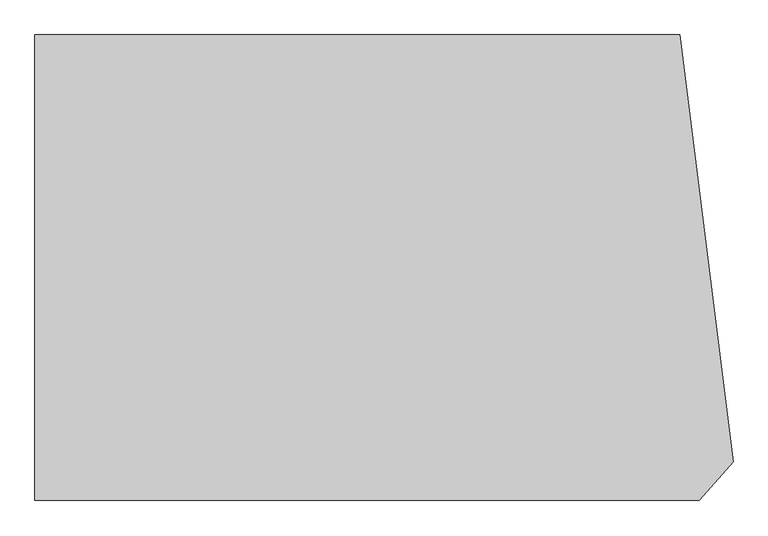
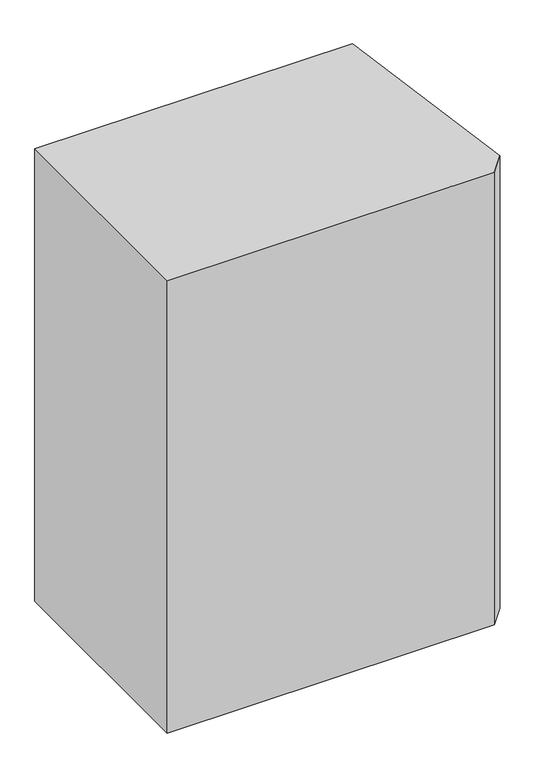
"""IFC4 building model written with IfcOpenShell, lengths in millimetres: proxy geometry."""

import ifcopenshell
import ifcopenshell.guid

model = None  # the IFC model being written
_history = None  # IfcOwnerHistory: only IFC2X3 demands one
_inside = {}  # id of a spatial element -> (the spatial element, [elements in it])
_under = {}  # id of a project, library or spatial element -> (it, [spatial elements below it])
_declared = {}  # id of a project -> (the project, [libraries it declares])
_typed = {}  # id of a type object -> (the type object, [elements of that type])
_made_of = {}  # id of a material, layer set ... -> (it, [elements and type objects made of it])


def new_model(schema):
    """Start an empty IFC model of exactly this schema.

    Asked for "IFC4X3", IfcOpenShell would pick the latest addendum, in which some entities
    have other attributes; the version numbers below select the first issue.
    IFC2X3 requires an IfcOwnerHistory on every rooted entity: one is made here for all.
    """
    global model, _history
    if schema == "IFC4X3":
        model = ifcopenshell.file(schema_version=(4, 3, 0, 0))
    else:
        model = ifcopenshell.file(schema=schema)
    _inside.clear()
    _under.clear()
    _declared.clear()
    _typed.clear()
    _made_of.clear()
    _history = None
    if model.schema == "IFC2X3":
        org = make("IfcOrganization", Name="unknown")
        user = make(
            "IfcPersonAndOrganization",
            ThePerson=make("IfcPerson", FamilyName="unknown"),
            TheOrganization=org,
        )
        app = make(
            "IfcApplication",
            ApplicationDeveloper=org,
            Version="unknown",
            ApplicationFullName="unknown",
            ApplicationIdentifier="unknown",
        )
        _history = make(
            "IfcOwnerHistory",
            OwningUser=user,
            OwningApplication=app,
            ChangeAction="ADDED",
            CreationDate=0,
        )
    return model


def make(cls, **values):
    """One entity of the class cls with the attributes given. An attribute that is None is left unset."""
    return model.create_entity(
        cls, **{name: value for name, value in values.items() if value is not None}
    )


def rooted(cls, **values):
    """An entity with a GlobalId (a new one), such as an element, a storey or a relation."""
    return make(cls, GlobalId=ifcopenshell.guid.new(), OwnerHistory=_history, **values)


def si_unit(unit_type, name, prefix=None):
    """IfcSIUnit, for example si_unit("LENGTHUNIT", "METRE", prefix="MILLI")."""
    return make("IfcSIUnit", UnitType=unit_type, Prefix=prefix, Name=name)


def assignment(units):
    """IfcUnitAssignment: the units of a project."""
    return None if units is None else make("IfcUnitAssignment", Units=units)


def point(xyz):
    """IfcCartesianPoint."""
    return None if xyz is None else make("IfcCartesianPoint", Coordinates=xyz)


def direction(xyz):
    """IfcDirection."""
    return None if xyz is None else make("IfcDirection", DirectionRatios=xyz)


def frame(location, z_axis=None, x_axis=None):
    """IfcAxis2Placement3D, a coordinate frame: its origin and axes. An axis left out is left unset."""
    return make(
        "IfcAxis2Placement3D",
        Location=point(location),
        Axis=direction(z_axis),
        RefDirection=direction(x_axis),
    )


def origin():
    """The frame at (0, 0, 0) with its axes left unset."""
    return frame((0.0, 0.0, 0.0))


def origin_with_axes():
    """The frame at (0, 0, 0) with the z axis (0, 0, 1) and the x axis (1, 0, 0) written out."""
    return frame((0.0, 0.0, 0.0), z_axis=(0.0, 0.0, 1.0), x_axis=(1.0, 0.0, 0.0))


def place(relative_to, where):
    """IfcLocalPlacement: puts the frame where relative to a parent placement (None: the world)."""
    return make(
        "IfcLocalPlacement", PlacementRelTo=relative_to, RelativePlacement=where
    )


def context(
    kind, dimensions, precision=None, world=None, true_north=None, identifier=None
):
    """IfcGeometricRepresentationContext, for example the 3D "Model" context."""
    return make(
        "IfcGeometricRepresentationContext",
        ContextIdentifier=identifier,
        ContextType=kind,
        CoordinateSpaceDimension=dimensions,
        Precision=precision,
        WorldCoordinateSystem=world,
        TrueNorth=true_north,
    )


def project(units=None, contexts=None):
    """IfcProject with its units and contexts."""
    return rooted(
        "IfcProject",
        Name="project",
        RepresentationContexts=contexts,
        UnitsInContext=assignment(units),
    )


def spatial(cls, under=None, at=None, **own):
    """A site, building, storey or space (cls), placed at a placement, below another one or the project."""
    s = rooted(cls, ObjectPlacement=at, **own)
    if under is not None:
        _under.setdefault(under.id(), (under, []))[1].append(s)
    return s


def polyline(points):
    """IfcPolyline through the points."""
    return make("IfcPolyline", Points=[point(p) for p in points])


def outline(outer, holes=None, kind="AREA"):
    """IfcArbitraryClosedProfileDef: a profile drawn as a closed curve; with holes, ...WithVoids."""
    if holes is None:
        return make("IfcArbitraryClosedProfileDef", ProfileType=kind, OuterCurve=outer)
    return make(
        "IfcArbitraryProfileDefWithVoids",
        ProfileType=kind,
        OuterCurve=outer,
        InnerCurves=holes,
    )


def extrude(swept, where, along, depth):
    """IfcExtrudedAreaSolid: the profile swept, set in the frame where, extruded along a direction by depth."""
    return make(
        "IfcExtrudedAreaSolid",
        SweptArea=swept,
        Position=where,
        ExtrudedDirection=direction(along),
        Depth=depth,
    )


def shape(context_of_items, identifier, shape_type, items):
    """IfcShapeRepresentation: the items that make up one representation, for example the "Body"."""
    return make(
        "IfcShapeRepresentation",
        ContextOfItems=context_of_items,
        RepresentationIdentifier=identifier,
        RepresentationType=shape_type,
        Items=items,
    )


def source(mapping_origin, context_of_items, identifier, shape_type, items):
    """IfcRepresentationMap: a shape defined once, which mapped items show again and again."""
    return make(
        "IfcRepresentationMap",
        MappingOrigin=mapping_origin,
        MappedRepresentation=shape(context_of_items, identifier, shape_type, items),
    )


def transform(
    local_origin,
    x_axis=None,
    y_axis=None,
    z_axis=None,
    scale=None,
    scale2=None,
    scale3=None,
    uniform=True,
):
    """IfcCartesianTransformationOperator3D, or its non-uniform kind. x_axis, y_axis, z_axis: its Axis1, 2, 3."""
    if uniform:
        return make(
            "IfcCartesianTransformationOperator3D",
            Axis1=direction(x_axis),
            Axis2=direction(y_axis),
            LocalOrigin=point(local_origin),
            Scale=scale,
            Axis3=direction(z_axis),
        )
    return make(
        "IfcCartesianTransformationOperator3DnonUniform",
        Axis1=direction(x_axis),
        Axis2=direction(y_axis),
        LocalOrigin=point(local_origin),
        Scale=scale,
        Axis3=direction(z_axis),
        Scale2=scale2,
        Scale3=scale3,
    )


def mapped(mapping_source, mapping_target):
    """IfcMappedItem: shows the shape of a source again, moved by a transform."""
    return make(
        "IfcMappedItem", MappingSource=mapping_source, MappingTarget=mapping_target
    )


def made_of(thing, what):
    """Note that an element or type object is made of a material, layer set ...; save() writes the relation."""
    if what is not None:
        _made_of.setdefault(what.id(), (what, []))[1].append(thing)
    return thing


def element(
    cls,
    number,
    at=None,
    inside=None,
    cuts=None,
    type_object=None,
    material=None,
    context=None,
    identifier="Body",
    shape_type=None,
    held_by="IfcProductDefinitionShape",
    body=None,
    shapes=None,
    **own,
):
    """One element of the class cls, such as IfcWall. Its Tag is "e" and its number.

    at: its placement. inside: the storey or other place that contains it. cuts: it is an
    opening in that element (IfcRelVoidsElement). A single representation is given by context,
    identifier, shape_type and body (its items); several are given by shapes. held_by: the class
    of the entity that holds the representations. save() writes the other relations.
    """
    e = rooted(cls, Tag="e%d" % number, ObjectPlacement=at, **own)
    if body is not None:
        shapes = [shape(context, identifier, shape_type, body)]
    if shapes is not None:
        e.Representation = make(held_by, Representations=shapes)
    if inside is not None:
        _inside.setdefault(inside.id(), (inside, []))[1].append(e)
    if cuts is not None:
        rooted(
            "IfcRelVoidsElement", RelatingBuildingElement=cuts, RelatedOpeningElement=e
        )
    if type_object is not None:
        _typed.setdefault(type_object.id(), (type_object, []))[1].append(e)
    return made_of(e, material)


def aggregate(whole, parts):
    """IfcRelAggregates: a whole, such as a stair, and the parts it consists of."""
    return rooted("IfcRelAggregates", RelatingObject=whole, RelatedObjects=parts)


def save(model, path):
    """Write the relations noted so far, then the file.

    IfcRelAggregates (storeys below a building ...), IfcRelContainedInSpatialStructure (elements
    in a storey), IfcRelDefinesByType, IfcRelAssociatesMaterial and IfcRelDeclares: one each for
    every whole, place, type object, material and project.
    """
    for whole, parts in _under.values():
        aggregate(whole, parts)
    for where, things in _inside.values():
        rooted(
            "IfcRelContainedInSpatialStructure",
            RelatedElements=things,
            RelatingStructure=where,
        )
    for kind, things in _typed.values():
        rooted("IfcRelDefinesByType", RelatedObjects=things, RelatingType=kind)
    for what, things in _made_of.values():
        rooted("IfcRelAssociatesMaterial", RelatedObjects=things, RelatingMaterial=what)
    for by, libraries in _declared.values():
        rooted("IfcRelDeclares", RelatingContext=by, RelatedDefinitions=libraries)
    model.write(path)


def generic_models_1f16ebe1(model_context):
    return source(origin(), model_context, "Body", "SweptSolid", [
        extrude(outline(polyline([(-29895.9784025, 17699.6868987), (3304.0214212, 17699.6868987), (6057.2732352, -4300.3131013), (4304.0214212, -6300.3135097), (-29895.9784025, -6300.3135097), (-29895.9784025, 17699.6868987)])), origin_with_axes(), (0.0, 0.0, 1.0), 50000.0),
    ])


if __name__ == "__main__":
    model = new_model("IFC4")
    model_context = context("Model", 3, world=origin())
    ifc_project = project(units=[si_unit("LENGTHUNIT", "METRE", prefix="MILLI")], contexts=[model_context])
    site = spatial("IfcSite", under=ifc_project)
    building = spatial("IfcBuilding", under=site)
    placement = place(None, origin())
    generic_models_shape = generic_models_1f16ebe1(model_context)
    element("IfcBuildingElementProxy", 1, Name="Generic Models", at=placement, inside=building, context=model_context, shape_type="MappedRepresentation", body=[
        mapped(generic_models_shape, transform((0.0, 0.0, 0.0), x_axis=(1.0, 0.0, 0.0), y_axis=(0.0, 1.0, 0.0), z_axis=(0.0, 0.0, 1.0))),
    ])
    save(model, "model.ifc")
